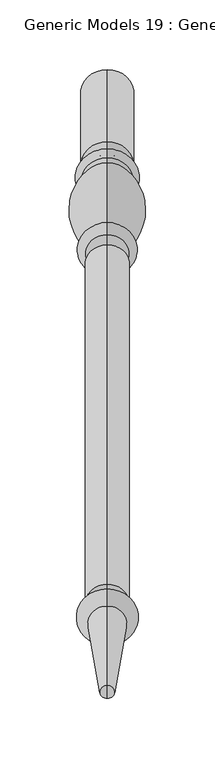
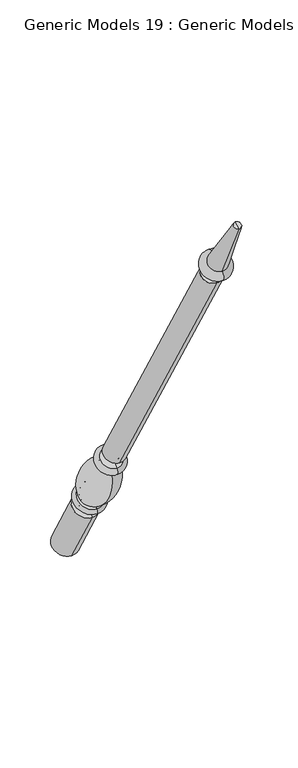
"""IFC4 building model written with IfcOpenShell, lengths in millimetres: proxy geometry, Generic Models 19 : Generic Models 2."""

from ifc_helpers import new_model, si_unit, point, frame, origin, place, context, project, spatial, polyline, circle_curve, ellipse_curve, trimmed, source, transform, mapped, element, save
from ifc_brep_helpers import plane_surface, cylinder_surface, revolved_surface, advanced_brep


def generic_models_19_generic_models_2_8f7dfb7c(model_context):
    return source(origin(), model_context, "Body", "AdvancedBrep", [
        advanced_brep(
        [(-197.2684498, 1861.1601077, 610.5814746), (-197.2684498, 1828.1645398, 591.5314746), (-197.2684498, 1880.0576333, 501.65), (-197.2684498, 1913.0532012, 520.7), (-197.2684498, 1853.6896456, 623.5206944), (-197.2684498, 1820.6940777, 604.4706944), (-197.2684498, 1849.5864045, 630.6277165), (-197.2684498, 1816.5908366, 611.5777165), (-197.2684498, 1845.9182158, 636.9812058), (-197.2684498, 1812.9226479, 617.9312058), (-197.2684498, 1801.1569262, 703.055156), (-197.2684498, 1778.0815733, 689.7325947), (-197.2684498, 1799.8610191, 710.4046105), (-197.2684498, 1772.3647125, 694.5296105), (-197.2684498, 1794.1590629, 720.2806883), (-197.2684498, 1766.6627563, 704.4056883), (-197.2684498, 1786.7732215, 733.0733408), (-197.2684498, 1759.276915, 717.1983408), (-197.2684498, 1542.2982215, 1156.516462), (-197.2684498, 1514.801915, 1140.641462), (-197.2684498, 1537.2251467, 1153.5875209), (-197.2684498, 1519.8749898, 1143.5704031), (-197.2684498, 1531.1910418, 1164.0388972), (-197.2684498, 1513.8408848, 1154.0217794), (-197.2684498, 1534.7597609, 1166.0992981), (-197.2684498, 1510.2721658, 1151.9613785), (-197.2684498, 1526.5847892, 1180.2587644), (-197.2684498, 1502.0971941, 1166.1208448), (-197.2684498, 1469.4852742, 1261.8053229), (-197.2684498, 1460.0255603, 1256.3437545), (-197.2684498, 1464.7554173, 1259.0745387), (-197.2684498, 1896.5554173, 511.175)],
        [
            (0, 1, circle_curve(frame((-197.2684498, 1844.6623237, 601.0564746), z_axis=(0.0, 0.5000000000000062, -0.8660254037844352), x_axis=(0.0, -0.8660254037844352, -0.5000000000000062)), 19.05)),
            (1, 2),
            (2, 3, circle_curve(frame((-197.2684498, 1896.5554173, 511.175), z_axis=(0.0, -0.5000000000000062, 0.8660254037844352), x_axis=(0.0, -0.8660254037844352, -0.5000000000000062)), 19.05)),
            (3, 0),
            (1, 0, circle_curve(frame((-197.2684498, 1844.6623237, 601.0564746), z_axis=(0.0, 0.5000000000000062, -0.8660254037844352), x_axis=(0.0, -0.8660254037844352, -0.5000000000000062)), 19.05)),
            (3, 2, circle_curve(frame((-197.2684498, 1896.5554173, 511.175), z_axis=(0.0, -0.5000000000000062, 0.8660254037844352), x_axis=(0.0, -0.8660254037844352, -0.5000000000000062)), 19.05)),
            (4, 5, circle_curve(frame((-197.2684498, 1837.1918617, 613.9956944), z_axis=(0.0, 0.5000000000000062, -0.8660254037844352), x_axis=(0.0, -0.8660254037844352, -0.5000000000000062)), 19.05)),
            (5, 1, circle_curve(frame((-197.2684498, 1821.8102989, 596.4889985), z_axis=(-1.0, 0.0, 0.0), x_axis=(0.0, 0.8660254037844352, 0.5000000000000062)), 8.0593685)),
            (0, 4, circle_curve(frame((-197.2684498, 1860.0438865, 618.5631706), z_axis=(-1.0, 0.0, 0.0), x_axis=(0.0, -0.8660254037844352, -0.5000000000000062)), 8.0593685)),
            (5, 4, circle_curve(frame((-197.2684498, 1837.1918617, 613.9956944), z_axis=(0.0, 0.5000000000000062, -0.8660254037844352), x_axis=(0.0, -0.8660254037844352, -0.5000000000000062)), 19.05)),
            (6, 7, circle_curve(frame((-197.2684498, 1833.0886205, 621.1027165), z_axis=(0.0, 0.5000000000000062, -0.8660254037844352), x_axis=(0.0, -0.8660254037844352, -0.5000000000000062)), 19.05)),
            (7, 5, circle_curve(frame((-197.2684498, 1818.6424572, 608.0242055), z_axis=(1.0, 0.0, 0.0), x_axis=(0.0, 0.8660254037844352, 0.5000000000000062)), 4.1032411)),
            (4, 6, circle_curve(frame((-197.2684498, 1851.638025, 627.0742055), z_axis=(1.0, 0.0, 0.0), x_axis=(0.0, -0.8660254037844352, -0.5000000000000062)), 4.1032411)),
            (7, 6, circle_curve(frame((-197.2684498, 1833.0886205, 621.1027165), z_axis=(0.0, 0.5000000000000062, -0.8660254037844352), x_axis=(0.0, -0.8660254037844352, -0.5000000000000062)), 19.05)),
            (8, 9, circle_curve(frame((-197.2684498, 1829.4204318, 627.4562058), z_axis=(0.0, 0.5000000000000062, -0.8660254037844352), x_axis=(0.0, -0.8660254037844352, -0.5000000000000062)), 19.05)),
            (9, 7, circle_curve(frame((-197.2684498, 1813.3633086, 613.9499618), z_axis=(-1.0, 0.0, 0.0), x_axis=(0.0, 0.8660254037844352, 0.5000000000000062)), 4.0055568)),
            (6, 8, circle_curve(frame((-197.2684498, 1849.1457438, 634.6089605), z_axis=(-1.0, 0.0, 0.0), x_axis=(0.0, -0.8660254037844352, -0.5000000000000062)), 4.0055568)),
            (9, 8, circle_curve(frame((-197.2684498, 1829.4204318, 627.4562058), z_axis=(0.0, 0.5000000000000062, -0.8660254037844352), x_axis=(0.0, -0.8660254037844352, -0.5000000000000062)), 19.05)),
            (10, 11, circle_curve(frame((-197.2684498, 1789.6192497, 696.3938754), z_axis=(0.0, 0.5000000000000062, -0.8660254037844352), x_axis=(0.0, -0.8660254037844352, -0.5000000000000062)), 13.3225612)),
            (11, 9, circle_curve(frame((-197.2684498, 1854.1299968, 682.2806335), z_axis=(1.0, 0.0, 0.0), x_axis=(0.0, 0.8660254037844352, 0.5000000000000062)), 76.412659)),
            (8, 10, circle_curve(frame((-197.2684498, 1769.5863022, 633.4693086), z_axis=(1.0, 0.0, 0.0), x_axis=(0.0, -0.8660254037844352, -0.5000000000000062)), 76.412659)),
            (11, 10, circle_curve(frame((-197.2684498, 1789.6192497, 696.3938754), z_axis=(0.0, 0.5000000000000062, -0.8660254037844352), x_axis=(0.0, -0.8660254037844352, -0.5000000000000062)), 13.3225612)),
            (12, 13, circle_curve(frame((-197.2684498, 1786.1128658, 702.4671105), z_axis=(0.0, 0.5000000000000062, -0.8660254037844352), x_axis=(0.0, -0.8660254037844352, -0.5000000000000062)), 15.875)),
            (13, 11, circle_curve(frame((-197.2684498, 1773.4069828, 689.9666873), z_axis=(-1.0, 0.0, 0.0), x_axis=(0.0, 0.8660254037844352, 0.5000000000000062)), 4.6804482)),
            (10, 12, circle_curve(frame((-197.2684498, 1803.2914914, 707.2205164), z_axis=(-1.0, 0.0, 0.0), x_axis=(0.0, -0.8660254037844352, -0.5000000000000062)), 4.6804482)),
            (13, 12, circle_curve(frame((-197.2684498, 1786.1128658, 702.4671105), z_axis=(0.0, 0.5000000000000062, -0.8660254037844352), x_axis=(0.0, -0.8660254037844352, -0.5000000000000062)), 15.875)),
            (14, 15, circle_curve(frame((-197.2684498, 1780.4109096, 712.3431883), z_axis=(0.0, 0.5000000000000062, -0.8660254037844352), x_axis=(0.0, -0.8660254037844352, -0.5000000000000062)), 15.875)),
            (15, 13, circle_curve(frame((-197.2684498, 1769.5137344, 699.4676494), z_axis=(1.0, 0.0, 0.0), x_axis=(0.0, 0.8660254037844352, 0.5000000000000062)), 5.7019562)),
            (12, 14, circle_curve(frame((-197.2684498, 1797.010041, 715.3426494), z_axis=(1.0, 0.0, 0.0), x_axis=(0.0, -0.8660254037844352, -0.5000000000000062)), 5.7019562)),
            (15, 14, circle_curve(frame((-197.2684498, 1780.4109096, 712.3431883), z_axis=(0.0, 0.5000000000000062, -0.8660254037844352), x_axis=(0.0, -0.8660254037844352, -0.5000000000000062)), 15.875)),
            (16, 17, circle_curve(frame((-197.2684498, 1773.0250683, 725.1358408), z_axis=(0.0, 0.5000000000000062, -0.8660254037844352), x_axis=(0.0, -0.8660254037844352, -0.5000000000000062)), 15.875)),
            (17, 15, circle_curve(frame((-197.2684498, 1762.9698356, 710.8020145), z_axis=(-1.0, 0.0, 0.0), x_axis=(0.0, 0.8660254037844352, 0.5000000000000062)), 7.3858413)),
            (14, 16, circle_curve(frame((-197.2684498, 1790.4661422, 726.6770145), z_axis=(-1.0, 0.0, 0.0), x_axis=(0.0, -0.8660254037844352, -0.5000000000000062)), 7.3858413)),
            (17, 16, circle_curve(frame((-197.2684498, 1773.0250683, 725.1358408), z_axis=(0.0, 0.5000000000000062, -0.8660254037844352), x_axis=(0.0, -0.8660254037844352, -0.5000000000000062)), 15.875)),
            (18, 19, circle_curve(frame((-197.2684498, 1528.5500683, 1148.578962), z_axis=(0.0, 0.5000000000000062, -0.8660254037844352), x_axis=(0.0, -0.8660254037844352, -0.5000000000000062)), 15.875)),
            (19, 17),
            (16, 18),
            (19, 18, circle_curve(frame((-197.2684498, 1528.5500683, 1148.578962), z_axis=(0.0, 0.5000000000000062, -0.8660254037844352), x_axis=(0.0, -0.8660254037844352, -0.5000000000000062)), 15.875)),
            (20, 21, circle_curve(frame((-197.2684498, 1528.5500683, 1148.578962), z_axis=(0.0, 0.5000000000000062, -0.8660254037844352), x_axis=(0.0, -0.8660254037844352, -0.5000000000000062)), 10.0171178)),
            (21, 19),
            (18, 20),
            (21, 20, circle_curve(frame((-197.2684498, 1528.5500683, 1148.578962), z_axis=(0.0, 0.5000000000000062, -0.8660254037844352), x_axis=(0.0, -0.8660254037844352, -0.5000000000000062)), 10.0171178)),
            (22, 23, circle_curve(frame((-197.2684498, 1522.5159633, 1159.0303383), z_axis=(0.0, 0.5000000000000062, -0.8660254037844352), x_axis=(0.0, -0.8660254037844352, -0.5000000000000062)), 10.0171178)),
            (23, 21, circle_curve(frame((-197.2684498, 1515.3020818, 1147.8978177), z_axis=(-1.0, 0.0, 0.0), x_axis=(0.0, 0.8660254037844352, 0.5000000000000062)), 6.295872)),
            (20, 22, circle_curve(frame((-197.2684498, 1535.7639497, 1159.7114826), z_axis=(-1.0, 0.0, 0.0), x_axis=(0.0, -0.8660254037844352, -0.5000000000000062)), 6.295872)),
            (23, 22, circle_curve(frame((-197.2684498, 1522.5159633, 1159.0303383), z_axis=(0.0, 0.5000000000000062, -0.8660254037844352), x_axis=(0.0, -0.8660254037844352, -0.5000000000000062)), 10.0171178)),
            (24, 25, circle_curve(frame((-197.2684498, 1522.5159633, 1159.0303383), z_axis=(0.0, 0.5000000000000062, -0.8660254037844352), x_axis=(0.0, -0.8660254037844352, -0.5000000000000062)), 14.1379196)),
            (25, 23),
            (22, 24),
            (25, 24, circle_curve(frame((-197.2684498, 1522.5159633, 1159.0303383), z_axis=(0.0, 0.5000000000000062, -0.8660254037844352), x_axis=(0.0, -0.8660254037844352, -0.5000000000000062)), 14.1379196)),
            (26, 27, circle_curve(frame((-197.2684498, 1514.3409916, 1173.1898046), z_axis=(0.0, 0.5000000000000062, -0.8660254037844352), x_axis=(0.0, -0.8660254037844352, -0.5000000000000062)), 14.1379196)),
            (27, 25, circle_curve(frame((-197.2684498, 1506.1846799, 1159.0411116), z_axis=(1.0, 0.0, 0.0), x_axis=(0.0, 0.8660254037844352, 0.5000000000000062)), 8.1749717)),
            (24, 26, circle_curve(frame((-197.2684498, 1530.672275, 1173.1790313), z_axis=(1.0, 0.0, 0.0), x_axis=(0.0, -0.8660254037844352, -0.5000000000000062)), 8.1749717)),
            (27, 26, circle_curve(frame((-197.2684498, 1514.3409916, 1173.1898046), z_axis=(0.0, 0.5000000000000062, -0.8660254037844352), x_axis=(0.0, -0.8660254037844352, -0.5000000000000062)), 14.1379196)),
            (28, 29, circle_curve(frame((-197.2684498, 1464.7554173, 1259.0745387), z_axis=(0.0, 0.5000000000000062, -0.8660254037844352), x_axis=(0.0, -0.8660254037844352, -0.5000000000000062)), 5.4615684)),
            (29, 27),
            (26, 28),
            (29, 28, circle_curve(frame((-197.2684498, 1464.7554173, 1259.0745387), z_axis=(0.0, 0.5000000000000062, -0.8660254037844352), x_axis=(0.0, -0.8660254037844352, -0.5000000000000062)), 5.4615684)),
            (30, 29),
            (28, 30),
            (2, 31),
            (31, 3),
        ],
        [
            cylinder_surface(frame((-197.2684498, 1464.7554173, 1259.0745387), z_axis=(0.0, -0.5000000000000062, 0.8660254037844352), x_axis=(0.0, -0.8660254037844352, -0.5000000000000062)), 19.05),
            revolved_surface(trimmed(ellipse_curve(frame((-197.2684498, 1821.8102989, 596.4889985), z_axis=(1.0, 0.0, 0.0), x_axis=(0.0, 0.8660254037844352, 0.5000000000000062)), 8.0593685, 8.0593685), [point((-197.2684498, 1828.1645398, 591.5314746))], [point((-197.2684498, 1820.6940777, 604.4706944))], True, "CARTESIAN"), (-197.2684498, 1464.7554173, 1259.0745387), (0.0, -0.5000000000000062, 0.8660254037844352)),
            revolved_surface(trimmed(ellipse_curve(frame((-197.2684498, 1818.6424572, 608.0242055), z_axis=(-1.0, 0.0, 0.0), x_axis=(0.0, 0.8660254037844352, 0.5000000000000062)), 4.1032411, 4.1032411), [point((-197.2684498, 1820.6940777, 604.4706944))], [point((-197.2684498, 1816.5908366, 611.5777165))], True, "CARTESIAN"), (-197.2684498, 1464.7554173, 1259.0745387), (0.0, -0.5000000000000062, 0.8660254037844352)),
            revolved_surface(trimmed(ellipse_curve(frame((-197.2684498, 1813.3633086, 613.9499618), z_axis=(1.0, 0.0, 0.0), x_axis=(0.0, 0.8660254037844352, 0.5000000000000062)), 4.0055568, 4.0055568), [point((-197.2684498, 1816.5908366, 611.5777165))], [point((-197.2684498, 1812.9226479, 617.9312058))], True, "CARTESIAN"), (-197.2684498, 1464.7554173, 1259.0745387), (0.0, -0.5000000000000062, 0.8660254037844352)),
            revolved_surface(trimmed(ellipse_curve(frame((-197.2684498, 1854.1299968, 682.2806335), z_axis=(-1.0, 0.0, 0.0), x_axis=(0.0, 0.8660254037844352, 0.5000000000000062)), 76.412659, 76.412659), [point((-197.2684498, 1812.9226479, 617.9312058))], [point((-197.2684498, 1778.0815733, 689.7325947))], True, "CARTESIAN"), (-197.2684498, 1464.7554173, 1259.0745387), (0.0, -0.5000000000000062, 0.8660254037844352)),
            revolved_surface(trimmed(ellipse_curve(frame((-197.2684498, 1773.4069828, 689.9666873), z_axis=(1.0, 0.0, 0.0), x_axis=(0.0, 0.8660254037844352, 0.5000000000000062)), 4.6804482, 4.6804482), [point((-197.2684498, 1778.0815733, 689.7325947))], [point((-197.2684498, 1772.3647125, 694.5296105))], True, "CARTESIAN"), (-197.2684498, 1464.7554173, 1259.0745387), (0.0, -0.5000000000000062, 0.8660254037844352)),
            revolved_surface(trimmed(ellipse_curve(frame((-197.2684498, 1769.5137344, 699.4676494), z_axis=(-1.0, 0.0, 0.0), x_axis=(0.0, 0.8660254037844352, 0.5000000000000062)), 5.7019562, 5.7019562), [point((-197.2684498, 1772.3647125, 694.5296105))], [point((-197.2684498, 1766.6627563, 704.4056883))], True, "CARTESIAN"), (-197.2684498, 1464.7554173, 1259.0745387), (0.0, -0.5000000000000062, 0.8660254037844352)),
            revolved_surface(trimmed(ellipse_curve(frame((-197.2684498, 1762.9698356, 710.8020145), z_axis=(1.0, 0.0, 0.0), x_axis=(0.0, 0.8660254037844352, 0.5000000000000062)), 7.3858413, 7.3858413), [point((-197.2684498, 1766.6627563, 704.4056883))], [point((-197.2684498, 1759.276915, 717.1983408))], True, "CARTESIAN"), (-197.2684498, 1464.7554173, 1259.0745387), (0.0, -0.5000000000000062, 0.8660254037844352)),
            cylinder_surface(frame((-197.2684498, 1464.7554173, 1259.0745387), z_axis=(0.0, -0.5000000000000062, 0.8660254037844352), x_axis=(0.0, -0.8660254037844352, -0.5000000000000062)), 15.875),
            plane_surface(frame((-197.2684498, 1528.5500683, 1148.578962), z_axis=(0.0, -0.5000000000000062, 0.8660254037844352), x_axis=(0.0, -0.8660254037844352, -0.5000000000000062))),
            revolved_surface(trimmed(ellipse_curve(frame((-197.2684498, 1515.3020818, 1147.8978177), z_axis=(1.0, 0.0, 0.0), x_axis=(0.0, 0.8660254037844352, 0.5000000000000062)), 6.295872, 6.295872), [point((-197.2684498, 1519.8749898, 1143.5704031))], [point((-197.2684498, 1513.8408848, 1154.0217794))], True, "CARTESIAN"), (-197.2684498, 1464.7554173, 1259.0745387), (0.0, -0.5000000000000062, 0.8660254037844352)),
            plane_surface(frame((-197.2684498, 1522.5159633, 1159.0303383), z_axis=(0.0, 0.5000000000000062, -0.8660254037844352), x_axis=(0.0, -0.8660254037844352, -0.5000000000000062))),
            revolved_surface(trimmed(ellipse_curve(frame((-197.2684498, 1506.1846799, 1159.0411116), z_axis=(-1.0, 0.0, 0.0), x_axis=(0.0, 0.8660254037844352, 0.5000000000000062)), 8.1749717, 8.1749717), [point((-197.2684498, 1510.2721658, 1151.9613785))], [point((-197.2684498, 1502.0971941, 1166.1208448))], True, "CARTESIAN"), (-197.2684498, 1464.7554173, 1259.0745387), (0.0, -0.5000000000000062, 0.8660254037844352)),
            revolved_surface(polyline([(-197.2684498, 1502.0971941, 1166.1208448), (-197.2684498, 1460.0255603, 1256.3437545)]), (-197.2684498, 1464.7554173, 1259.0745387), (0.0, -0.5000000000000062, 0.8660254037844352)),
            plane_surface(frame((-197.2684498, 1464.7554173, 1259.0745387), z_axis=(0.0, -0.5000000000000062, 0.8660254037844352), x_axis=(0.0, -0.8660254037844352, -0.5000000000000062))),
            plane_surface(frame((-197.2684498, 1896.5554173, 511.175), z_axis=(0.0, 0.5000000000000062, -0.8660254037844352), x_axis=(0.0, -0.8660254037844352, -0.5000000000000062))),
        ],
        [
            (0, [[1, 2, 3, 4]]),
            (0, [[5, -4, 6, -2]]),
            (1, [[7, 8, -1, 9]]),
            (1, [[10, -9, -5, -8]]),
            (2, [[11, 12, -7, 13]]),
            (2, [[14, -13, -10, -12]]),
            (3, [[15, 16, -11, 17]]),
            (3, [[18, -17, -14, -16]]),
            (4, [[19, 20, -15, 21]]),
            (4, [[22, -21, -18, -20]]),
            (5, [[23, 24, -19, 25]]),
            (5, [[26, -25, -22, -24]]),
            (6, [[27, 28, -23, 29]]),
            (6, [[30, -29, -26, -28]]),
            (7, [[31, 32, -27, 33]]),
            (7, [[34, -33, -30, -32]]),
            (8, [[35, 36, -31, 37]]),
            (8, [[38, -37, -34, -36]]),
            (9, [[39, 40, -35, 41]]),
            (9, [[42, -41, -38, -40]]),
            (10, [[43, 44, -39, 45]]),
            (10, [[46, -45, -42, -44]]),
            (11, [[47, 48, -43, 49]]),
            (11, [[50, -49, -46, -48]]),
            (12, [[51, 52, -47, 53]]),
            (12, [[54, -53, -50, -52]]),
            (13, [[55, 56, -51, 57]]),
            (13, [[58, -57, -54, -56]]),
            (14, [[59, -55, 60]]),
            (14, [[-60, -58, -59]]),
            (15, [[-3, 61, 62]]),
            (15, [[-6, -62, -61]]),
        ],
    ),
    ])


if __name__ == "__main__":
    model = new_model("IFC4")
    model_context = context("Model", 3, world=origin())
    ifc_project = project(units=[si_unit("LENGTHUNIT", "METRE", prefix="MILLI")], contexts=[model_context])
    site = spatial("IfcSite", under=ifc_project)
    building = spatial("IfcBuilding", under=site)
    placement = place(None, origin())
    generic_models_19_generic_models_2_shape = generic_models_19_generic_models_2_8f7dfb7c(model_context)
    element("IfcBuildingElementProxy", 1, Name="Generic Models 19 : Generic Models 2", ObjectType="Generic Models 19 : Generic Models 2", at=placement, inside=building, context=model_context, shape_type="MappedRepresentation", body=[
        mapped(generic_models_19_generic_models_2_shape, transform((0.0, 0.0, 0.0), x_axis=(1.0, 0.0, 0.0), y_axis=(0.0, 1.0, 0.0), z_axis=(0.0, 0.0, 1.0))),
    ])
    save(model, "model.ifc")
